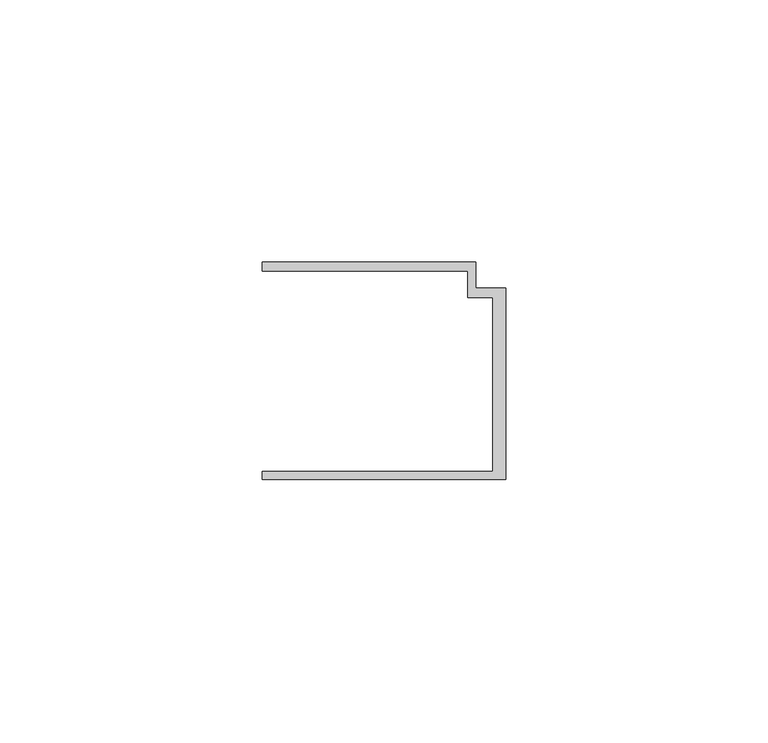
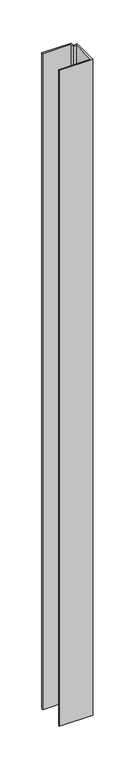
"""IFC4 building model written with IfcOpenShell, lengths in millimetres: member geometry."""

from ifc_helpers import new_model, si_unit, frame, origin, place, context, project, spatial, polyline, outline, extrude, source, transform, mapped, element, save


def member_94b43103(model_context):
    return source(origin(), model_context, "Body", "SweptSolid", [
        extrude(outline(polyline([(-46.3, -19.2), (-2.4, -19.2), (-2.4, 14.0), (-7.2, 14.0), (-7.2, 19.0), (-46.3, 19.0), (-46.3, 20.7), (-5.6999992, 20.7), (-5.6999992, 15.8), (0.0, 15.8), (0.0, -20.7), (-46.3, -20.7), (-46.3, -19.2)])), frame((0.0, 0.0, -956.3602632), z_axis=(0.0, 0.0, 1.0), x_axis=(1.0, 0.0, 0.0)), (0.0, 0.0, 1.0), 956.3602632),
    ])


if __name__ == "__main__":
    model = new_model("IFC4")
    model_context = context("Model", 3, world=origin())
    ifc_project = project(units=[si_unit("LENGTHUNIT", "METRE", prefix="MILLI")], contexts=[model_context])
    site = spatial("IfcSite", under=ifc_project)
    building = spatial("IfcBuilding", under=site)
    placement = place(None, origin())
    member_shape = member_94b43103(model_context)
    element("IfcMember", 1, at=placement, inside=building, context=model_context, shape_type="MappedRepresentation", body=[
        mapped(member_shape, transform((0.0, 0.0, 0.0), x_axis=(1.0, 0.0, 0.0), y_axis=(0.0, 1.0, 0.0), z_axis=(0.0, 0.0, 1.0))),
    ])
    save(model, "model.ifc")
